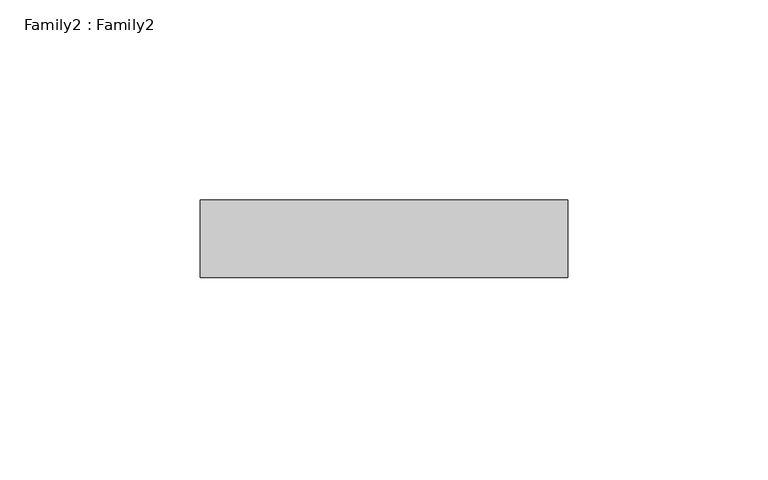
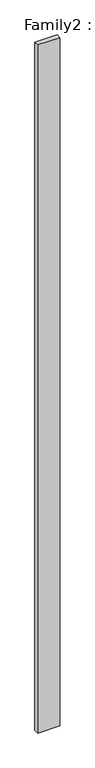
"""IFC4 building model written with IfcOpenShell, lengths in millimetres: plate geometry, Family2 : Family2."""

from ifc_helpers import new_model, si_unit, origin, origin_with_axes, place, context, project, spatial, polyline, outline, extrude, source, transform, mapped, element, save


def family2_family2_735c2333(model_context):
    return source(origin(), model_context, "Body", "SweptSolid", [
        extrude(outline(polyline([(-45.815909, -50.038), (-45.815909, -30.7340002), (45.815909, -30.7340002), (45.815909, -50.038), (-45.815909, -50.038)])), origin_with_axes(), (0.0, 0.0, 1.0), 3012.2368001),
    ])


if __name__ == "__main__":
    model = new_model("IFC4")
    model_context = context("Model", 3, world=origin())
    ifc_project = project(units=[si_unit("LENGTHUNIT", "METRE", prefix="MILLI")], contexts=[model_context])
    site = spatial("IfcSite", under=ifc_project)
    building = spatial("IfcBuilding", under=site)
    placement = place(None, origin())
    family2_family2_shape = family2_family2_735c2333(model_context)
    element("IfcPlate", 1, ObjectType="Family2 : Family2", at=placement, inside=building, context=model_context, shape_type="MappedRepresentation", body=[
        mapped(family2_family2_shape, transform((0.0, 0.0, 0.0), x_axis=(1.0, 0.0, 0.0), y_axis=(0.0, 1.0, 0.0), z_axis=(0.0, 0.0, 1.0))),
    ])
    save(model, "model.ifc")
